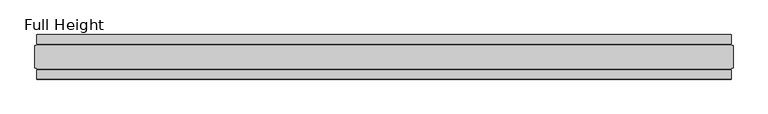
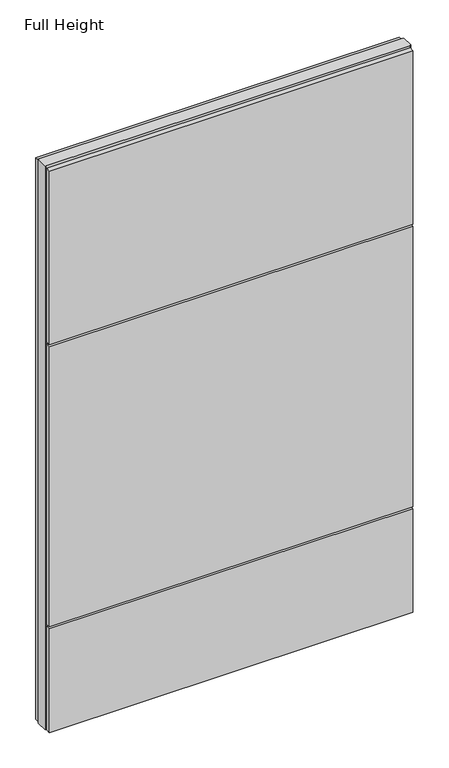
"""IFC4 building model written with IfcOpenShell, lengths in millimetres: plate geometry, Full Height."""

import ifcopenshell
import ifcopenshell.guid

model = None  # the IFC model being written
_history = None  # IfcOwnerHistory: only IFC2X3 demands one
_inside = {}  # id of a spatial element -> (the spatial element, [elements in it])
_under = {}  # id of a project, library or spatial element -> (it, [spatial elements below it])
_declared = {}  # id of a project -> (the project, [libraries it declares])
_typed = {}  # id of a type object -> (the type object, [elements of that type])
_made_of = {}  # id of a material, layer set ... -> (it, [elements and type objects made of it])


def new_model(schema):
    """Start an empty IFC model of exactly this schema.

    Asked for "IFC4X3", IfcOpenShell would pick the latest addendum, in which some entities
    have other attributes; the version numbers below select the first issue.
    IFC2X3 requires an IfcOwnerHistory on every rooted entity: one is made here for all.
    """
    global model, _history
    if schema == "IFC4X3":
        model = ifcopenshell.file(schema_version=(4, 3, 0, 0))
    else:
        model = ifcopenshell.file(schema=schema)
    _inside.clear()
    _under.clear()
    _declared.clear()
    _typed.clear()
    _made_of.clear()
    _history = None
    if model.schema == "IFC2X3":
        org = make("IfcOrganization", Name="unknown")
        user = make(
            "IfcPersonAndOrganization",
            ThePerson=make("IfcPerson", FamilyName="unknown"),
            TheOrganization=org,
        )
        app = make(
            "IfcApplication",
            ApplicationDeveloper=org,
            Version="unknown",
            ApplicationFullName="unknown",
            ApplicationIdentifier="unknown",
        )
        _history = make(
            "IfcOwnerHistory",
            OwningUser=user,
            OwningApplication=app,
            ChangeAction="ADDED",
            CreationDate=0,
        )
    return model


def make(cls, **values):
    """One entity of the class cls with the attributes given. An attribute that is None is left unset."""
    return model.create_entity(
        cls, **{name: value for name, value in values.items() if value is not None}
    )


def rooted(cls, **values):
    """An entity with a GlobalId (a new one), such as an element, a storey or a relation."""
    return make(cls, GlobalId=ifcopenshell.guid.new(), OwnerHistory=_history, **values)


def si_unit(unit_type, name, prefix=None):
    """IfcSIUnit, for example si_unit("LENGTHUNIT", "METRE", prefix="MILLI")."""
    return make("IfcSIUnit", UnitType=unit_type, Prefix=prefix, Name=name)


def assignment(units):
    """IfcUnitAssignment: the units of a project."""
    return None if units is None else make("IfcUnitAssignment", Units=units)


def point(xyz):
    """IfcCartesianPoint."""
    return None if xyz is None else make("IfcCartesianPoint", Coordinates=xyz)


def direction(xyz):
    """IfcDirection."""
    return None if xyz is None else make("IfcDirection", DirectionRatios=xyz)


def frame(location, z_axis=None, x_axis=None):
    """IfcAxis2Placement3D, a coordinate frame: its origin and axes. An axis left out is left unset."""
    return make(
        "IfcAxis2Placement3D",
        Location=point(location),
        Axis=direction(z_axis),
        RefDirection=direction(x_axis),
    )


def origin():
    """The frame at (0, 0, 0) with its axes left unset."""
    return frame((0.0, 0.0, 0.0))


def origin_with_axes():
    """The frame at (0, 0, 0) with the z axis (0, 0, 1) and the x axis (1, 0, 0) written out."""
    return frame((0.0, 0.0, 0.0), z_axis=(0.0, 0.0, 1.0), x_axis=(1.0, 0.0, 0.0))


def place(relative_to, where):
    """IfcLocalPlacement: puts the frame where relative to a parent placement (None: the world)."""
    return make(
        "IfcLocalPlacement", PlacementRelTo=relative_to, RelativePlacement=where
    )


def context(
    kind, dimensions, precision=None, world=None, true_north=None, identifier=None
):
    """IfcGeometricRepresentationContext, for example the 3D "Model" context."""
    return make(
        "IfcGeometricRepresentationContext",
        ContextIdentifier=identifier,
        ContextType=kind,
        CoordinateSpaceDimension=dimensions,
        Precision=precision,
        WorldCoordinateSystem=world,
        TrueNorth=true_north,
    )


def project(units=None, contexts=None):
    """IfcProject with its units and contexts."""
    return rooted(
        "IfcProject",
        Name="project",
        RepresentationContexts=contexts,
        UnitsInContext=assignment(units),
    )


def spatial(cls, under=None, at=None, **own):
    """A site, building, storey or space (cls), placed at a placement, below another one or the project."""
    s = rooted(cls, ObjectPlacement=at, **own)
    if under is not None:
        _under.setdefault(under.id(), (under, []))[1].append(s)
    return s


def polyline(points):
    """IfcPolyline through the points."""
    return make("IfcPolyline", Points=[point(p) for p in points])


def outline(outer, holes=None, kind="AREA"):
    """IfcArbitraryClosedProfileDef: a profile drawn as a closed curve; with holes, ...WithVoids."""
    if holes is None:
        return make("IfcArbitraryClosedProfileDef", ProfileType=kind, OuterCurve=outer)
    return make(
        "IfcArbitraryProfileDefWithVoids",
        ProfileType=kind,
        OuterCurve=outer,
        InnerCurves=holes,
    )


def extrude(swept, where, along, depth):
    """IfcExtrudedAreaSolid: the profile swept, set in the frame where, extruded along a direction by depth."""
    return make(
        "IfcExtrudedAreaSolid",
        SweptArea=swept,
        Position=where,
        ExtrudedDirection=direction(along),
        Depth=depth,
    )


def shape(context_of_items, identifier, shape_type, items):
    """IfcShapeRepresentation: the items that make up one representation, for example the "Body"."""
    return make(
        "IfcShapeRepresentation",
        ContextOfItems=context_of_items,
        RepresentationIdentifier=identifier,
        RepresentationType=shape_type,
        Items=items,
    )


def source(mapping_origin, context_of_items, identifier, shape_type, items):
    """IfcRepresentationMap: a shape defined once, which mapped items show again and again."""
    return make(
        "IfcRepresentationMap",
        MappingOrigin=mapping_origin,
        MappedRepresentation=shape(context_of_items, identifier, shape_type, items),
    )


def transform(
    local_origin,
    x_axis=None,
    y_axis=None,
    z_axis=None,
    scale=None,
    scale2=None,
    scale3=None,
    uniform=True,
):
    """IfcCartesianTransformationOperator3D, or its non-uniform kind. x_axis, y_axis, z_axis: its Axis1, 2, 3."""
    if uniform:
        return make(
            "IfcCartesianTransformationOperator3D",
            Axis1=direction(x_axis),
            Axis2=direction(y_axis),
            LocalOrigin=point(local_origin),
            Scale=scale,
            Axis3=direction(z_axis),
        )
    return make(
        "IfcCartesianTransformationOperator3DnonUniform",
        Axis1=direction(x_axis),
        Axis2=direction(y_axis),
        LocalOrigin=point(local_origin),
        Scale=scale,
        Axis3=direction(z_axis),
        Scale2=scale2,
        Scale3=scale3,
    )


def mapped(mapping_source, mapping_target):
    """IfcMappedItem: shows the shape of a source again, moved by a transform."""
    return make(
        "IfcMappedItem", MappingSource=mapping_source, MappingTarget=mapping_target
    )


def made_of(thing, what):
    """Note that an element or type object is made of a material, layer set ...; save() writes the relation."""
    if what is not None:
        _made_of.setdefault(what.id(), (what, []))[1].append(thing)
    return thing


def element(
    cls,
    number,
    at=None,
    inside=None,
    cuts=None,
    type_object=None,
    material=None,
    context=None,
    identifier="Body",
    shape_type=None,
    held_by="IfcProductDefinitionShape",
    body=None,
    shapes=None,
    **own,
):
    """One element of the class cls, such as IfcWall. Its Tag is "e" and its number.

    at: its placement. inside: the storey or other place that contains it. cuts: it is an
    opening in that element (IfcRelVoidsElement). A single representation is given by context,
    identifier, shape_type and body (its items); several are given by shapes. held_by: the class
    of the entity that holds the representations. save() writes the other relations.
    """
    e = rooted(cls, Tag="e%d" % number, ObjectPlacement=at, **own)
    if body is not None:
        shapes = [shape(context, identifier, shape_type, body)]
    if shapes is not None:
        e.Representation = make(held_by, Representations=shapes)
    if inside is not None:
        _inside.setdefault(inside.id(), (inside, []))[1].append(e)
    if cuts is not None:
        rooted(
            "IfcRelVoidsElement", RelatingBuildingElement=cuts, RelatedOpeningElement=e
        )
    if type_object is not None:
        _typed.setdefault(type_object.id(), (type_object, []))[1].append(e)
    return made_of(e, material)


def aggregate(whole, parts):
    """IfcRelAggregates: a whole, such as a stair, and the parts it consists of."""
    return rooted("IfcRelAggregates", RelatingObject=whole, RelatedObjects=parts)


def save(model, path):
    """Write the relations noted so far, then the file.

    IfcRelAggregates (storeys below a building ...), IfcRelContainedInSpatialStructure (elements
    in a storey), IfcRelDefinesByType, IfcRelAssociatesMaterial and IfcRelDeclares: one each for
    every whole, place, type object, material and project.
    """
    for whole, parts in _under.values():
        aggregate(whole, parts)
    for where, things in _inside.values():
        rooted(
            "IfcRelContainedInSpatialStructure",
            RelatedElements=things,
            RelatingStructure=where,
        )
    for kind, things in _typed.values():
        rooted("IfcRelDefinesByType", RelatedObjects=things, RelatingType=kind)
    for what, things in _made_of.values():
        rooted("IfcRelAssociatesMaterial", RelatedObjects=things, RelatingMaterial=what)
    for by, libraries in _declared.values():
        rooted("IfcRelDeclares", RelatingContext=by, RelatedDefinitions=libraries)
    model.write(path)


def full_height_85178586(model_context):
    return source(origin(), model_context, "Body", "SweptSolid", [
        extrude(outline(polyline([(773.1460859, 28.956), (-773.1460859, 28.956), (-773.1460859, 49.53), (773.1460859, 49.53), (773.1460859, 28.956)])), origin_with_axes(), (0.0, 0.0, 1.0), 2526.792),
        extrude(outline(polyline([(773.1460859, -28.956), (773.1460859, -49.53), (-773.1460859, -49.53), (-773.1460859, -28.956), (773.1460859, -28.956)])), frame((0.0, 0.0, 1745.996), z_axis=(0.0, 0.0, 1.0), x_axis=(1.0, 0.0, 0.0)), (0.0, 0.0, 1.0), 780.796),
        extrude(outline(polyline([(773.1460859, -28.956), (773.1460859, -49.53), (-773.1460859, -49.53), (-773.1460859, -28.956), (773.1460859, -28.956)])), frame((0.0, 0.0, 475.996), z_axis=(0.0, 0.0, 1.0), x_axis=(1.0, 0.0, 0.0)), (0.0, 0.0, 1.0), 1260.856),
        extrude(outline(polyline([(773.1460859, -28.956), (773.1460859, -49.53), (-773.1460859, -49.53), (-773.1460859, -28.956), (773.1460859, -28.956)])), origin_with_axes(), (0.0, 0.0, 1.0), 466.852),
        extrude(outline(polyline([(773.1460859, -25.146), (773.1460859, -26.67), (-773.1460859, -26.67), (-773.1460859, -25.146), (-777.7180859, -25.146), (-777.7180859, 25.146), (-773.1460859, 25.146), (-773.1460859, 26.67), (773.1460859, 26.67), (773.1460859, 25.146), (777.7180859, 25.146), (777.7180859, -25.146), (773.1460859, -25.146)])), origin_with_axes(), (0.0, 0.0, 1.0), 2535.936),
    ])


if __name__ == "__main__":
    model = new_model("IFC4")
    model_context = context("Model", 3, world=origin())
    ifc_project = project(units=[si_unit("LENGTHUNIT", "METRE", prefix="MILLI")], contexts=[model_context])
    site = spatial("IfcSite", under=ifc_project)
    building = spatial("IfcBuilding", under=site)
    placement = place(None, origin())
    full_height_shape = full_height_85178586(model_context)
    element("IfcPlate", 1, ObjectType="Full Height", at=placement, inside=building, context=model_context, shape_type="MappedRepresentation", body=[
        mapped(full_height_shape, transform((0.0, 0.0, 0.0), x_axis=(1.0, 0.0, 0.0), y_axis=(0.0, 1.0, 0.0), z_axis=(0.0, 0.0, 1.0))),
    ])
    save(model, "model.ifc")
